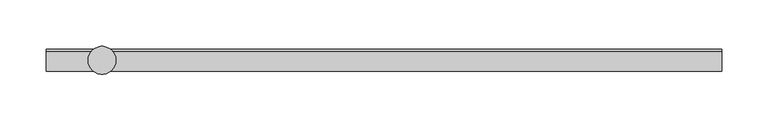
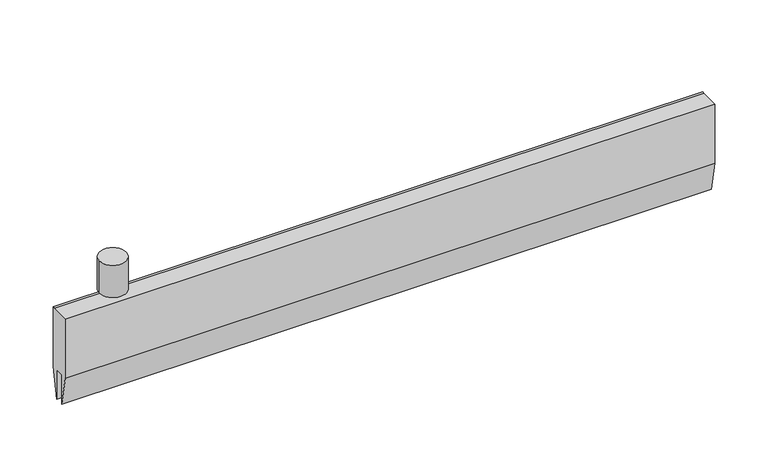
"""IFC4 building model written with IfcOpenShell, lengths in millimetres: proxy geometry."""

from ifc_helpers import new_model, si_unit, point, frame, origin, origin_2d, place, context, project, spatial, polyline, circle_curve, trimmed, segment, composite_curve, outline, extrude, source, transform, mapped, element, save


def specialty_equipment_0c6f8dc0(model_context):
    return source(origin(), model_context, "Body", "SweptSolid", [
        extrude(outline(polyline([(-12.0, 49.0), (9.692747, 49.0), (12.0, 49.0), (12.0, -21.0), (5.0, -56.0), (5.0, -21.0), (-5.0, -21.0), (-5.0, -56.0), (-12.0, -21.0), (-12.0, 49.0)])), frame((-60.0, 0.0, 0.0), z_axis=(1.0, 0.0, 0.0), x_axis=(0.0, 1.0, 0.0)), (0.0, 0.0, 1.0), 727.9166667),
        extrude(outline(composite_curve([segment(trimmed(circle_curve(origin_2d(), 15.0), [point((-15.0, 0.0))], [point((15.0, 0.0))], False, "CARTESIAN"), True, "CONTINUOUS"), segment(trimmed(circle_curve(origin_2d(), 15.0), [point((15.0, 0.0))], [point((-15.0, 0.0))], False, "CARTESIAN"), True, "CONTINUOUS")], self_intersect=False)), frame((0.0, 0.0, 57.0), z_axis=(0.0, 0.0, 1.0), x_axis=(1.0, 0.0, 0.0)), (0.0, 0.0, 1.0), 38.0),
    ])


if __name__ == "__main__":
    model = new_model("IFC4")
    model_context = context("Model", 3, world=origin())
    ifc_project = project(units=[si_unit("LENGTHUNIT", "METRE", prefix="MILLI")], contexts=[model_context])
    site = spatial("IfcSite", under=ifc_project)
    building = spatial("IfcBuilding", under=site)
    placement = place(None, origin())
    specialty_equipment_shape = specialty_equipment_0c6f8dc0(model_context)
    element("IfcBuildingElementProxy", 1, Name="Specialty Equipment", at=placement, inside=building, context=model_context, shape_type="MappedRepresentation", body=[
        mapped(specialty_equipment_shape, transform((0.0, 0.0, 0.0), x_axis=(1.0, 0.0, 0.0), y_axis=(0.0, 1.0, 0.0), z_axis=(0.0, 0.0, 1.0))),
    ])
    save(model, "model.ifc")
